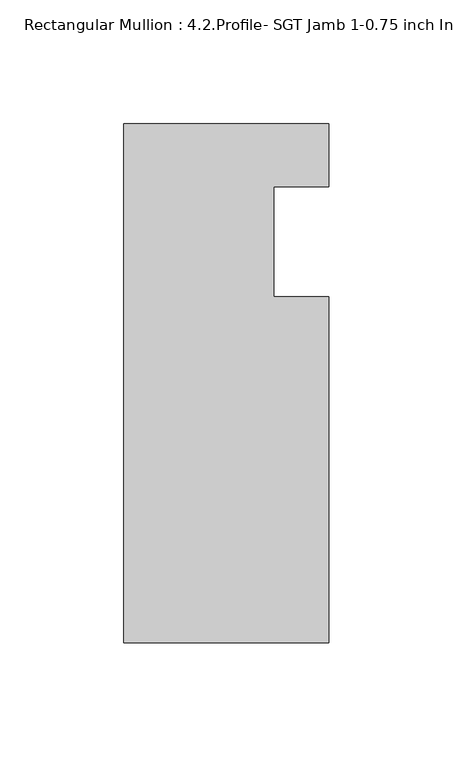
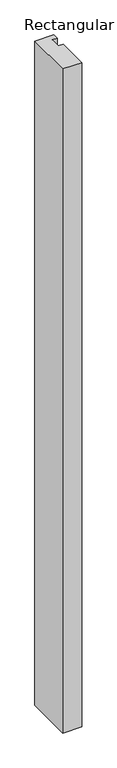
"""IFC4 building model written with IfcOpenShell, lengths in millimetres: member geometry, Rectangular Mullion : 4.2.Profile- SGT Jamb 1-0.75 inch Infill-Detail-5."""

from ifc_helpers import new_model, si_unit, frame, origin, place, context, project, spatial, polyline, outline, extrude, source, transform, mapped, element, save


def rectangular_mullion_4_2_profile_sgt_jamb_1_0_75_inch_infill_9a246009(model_context):
    return source(origin(), model_context, "Body", "SweptSolid", [
        extrude(outline(polyline([(-82.7668749, 110.2146079), (-1.8e-06, 110.2146079), (-1.8e-06, 84.8141082), (-22.2248868, 84.8141082), (-22.2248868, 40.3641082), (0.0, 40.3641082), (0.0, -99.3358918), (-82.7668749, -99.3358918), (-82.7668749, 110.2146079)])), frame((0.0, 0.0, -3048.0), z_axis=(0.0, 0.0, 1.0), x_axis=(1.0, 0.0, 0.0)), (0.0, 0.0, 1.0), 3048.0),
    ])


if __name__ == "__main__":
    model = new_model("IFC4")
    model_context = context("Model", 3, world=origin())
    ifc_project = project(units=[si_unit("LENGTHUNIT", "METRE", prefix="MILLI")], contexts=[model_context])
    site = spatial("IfcSite", under=ifc_project)
    building = spatial("IfcBuilding", under=site)
    placement = place(None, origin())
    rectangular_mullion_4_2_profile_sgt_jamb_1_0_75_inch_infill_shape = rectangular_mullion_4_2_profile_sgt_jamb_1_0_75_inch_infill_9a246009(model_context)
    element("IfcMember", 1, ObjectType="Rectangular Mullion : 4.2.Profile- SGT Jamb 1-0.75 inch Infill-Detail-5", at=placement, inside=building, context=model_context, shape_type="MappedRepresentation", body=[
        mapped(rectangular_mullion_4_2_profile_sgt_jamb_1_0_75_inch_infill_shape, transform((0.0, 0.0, 0.0), x_axis=(1.0, 0.0, 0.0), y_axis=(0.0, 1.0, 0.0), z_axis=(0.0, 0.0, 1.0))),
    ])
    save(model, "model.ifc")
